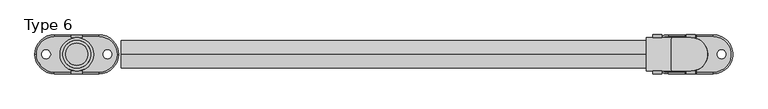
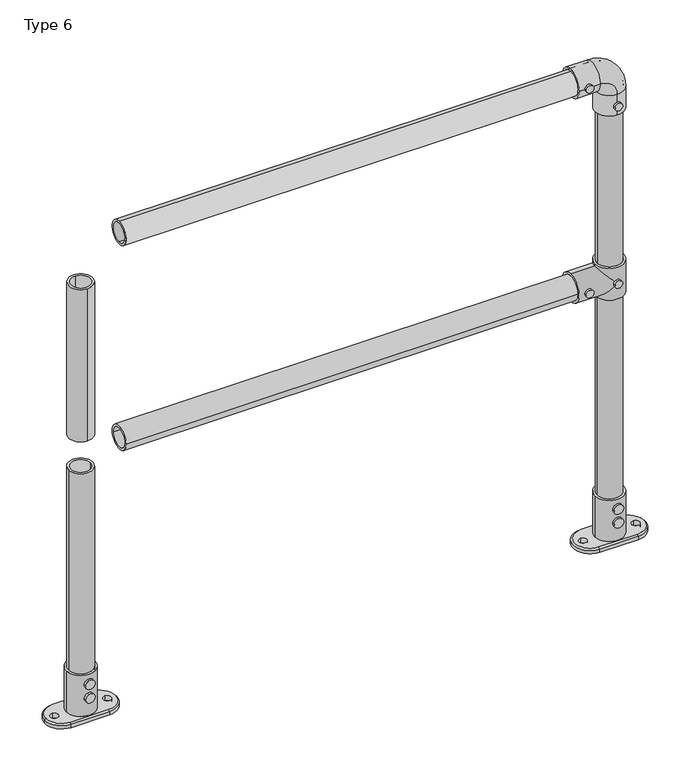
"""IFC4 building model written with IfcOpenShell, lengths in millimetres: proxy geometry, Type 6."""

import ifcopenshell
import ifcopenshell.guid

model = None  # the IFC model being written
_history = None  # IfcOwnerHistory: only IFC2X3 demands one
_inside = {}  # id of a spatial element -> (the spatial element, [elements in it])
_under = {}  # id of a project, library or spatial element -> (it, [spatial elements below it])
_declared = {}  # id of a project -> (the project, [libraries it declares])
_typed = {}  # id of a type object -> (the type object, [elements of that type])
_made_of = {}  # id of a material, layer set ... -> (it, [elements and type objects made of it])


def new_model(schema):
    """Start an empty IFC model of exactly this schema.

    Asked for "IFC4X3", IfcOpenShell would pick the latest addendum, in which some entities
    have other attributes; the version numbers below select the first issue.
    IFC2X3 requires an IfcOwnerHistory on every rooted entity: one is made here for all.
    """
    global model, _history
    if schema == "IFC4X3":
        model = ifcopenshell.file(schema_version=(4, 3, 0, 0))
    else:
        model = ifcopenshell.file(schema=schema)
    _inside.clear()
    _under.clear()
    _declared.clear()
    _typed.clear()
    _made_of.clear()
    _history = None
    if model.schema == "IFC2X3":
        org = make("IfcOrganization", Name="unknown")
        user = make(
            "IfcPersonAndOrganization",
            ThePerson=make("IfcPerson", FamilyName="unknown"),
            TheOrganization=org,
        )
        app = make(
            "IfcApplication",
            ApplicationDeveloper=org,
            Version="unknown",
            ApplicationFullName="unknown",
            ApplicationIdentifier="unknown",
        )
        _history = make(
            "IfcOwnerHistory",
            OwningUser=user,
            OwningApplication=app,
            ChangeAction="ADDED",
            CreationDate=0,
        )
    return model


def make(cls, **values):
    """One entity of the class cls with the attributes given. An attribute that is None is left unset."""
    return model.create_entity(
        cls, **{name: value for name, value in values.items() if value is not None}
    )


def rooted(cls, **values):
    """An entity with a GlobalId (a new one), such as an element, a storey or a relation."""
    return make(cls, GlobalId=ifcopenshell.guid.new(), OwnerHistory=_history, **values)


def si_unit(unit_type, name, prefix=None):
    """IfcSIUnit, for example si_unit("LENGTHUNIT", "METRE", prefix="MILLI")."""
    return make("IfcSIUnit", UnitType=unit_type, Prefix=prefix, Name=name)


def assignment(units):
    """IfcUnitAssignment: the units of a project."""
    return None if units is None else make("IfcUnitAssignment", Units=units)


def point(xyz):
    """IfcCartesianPoint."""
    return None if xyz is None else make("IfcCartesianPoint", Coordinates=xyz)


def direction(xyz):
    """IfcDirection."""
    return None if xyz is None else make("IfcDirection", DirectionRatios=xyz)


def frame(location, z_axis=None, x_axis=None):
    """IfcAxis2Placement3D, a coordinate frame: its origin and axes. An axis left out is left unset."""
    return make(
        "IfcAxis2Placement3D",
        Location=point(location),
        Axis=direction(z_axis),
        RefDirection=direction(x_axis),
    )


def frame_2d(location, x_axis=None):
    """IfcAxis2Placement2D, a coordinate frame in the plane: its origin and x axis."""
    return make(
        "IfcAxis2Placement2D", Location=point(location), RefDirection=direction(x_axis)
    )


def origin():
    """The frame at (0, 0, 0) with its axes left unset."""
    return frame((0.0, 0.0, 0.0))


def origin_with_axes():
    """The frame at (0, 0, 0) with the z axis (0, 0, 1) and the x axis (1, 0, 0) written out."""
    return frame((0.0, 0.0, 0.0), z_axis=(0.0, 0.0, 1.0), x_axis=(1.0, 0.0, 0.0))


def origin_2d():
    """The frame at (0, 0) in the plane with its x axis left unset."""
    return frame_2d((0.0, 0.0))


def place(relative_to, where):
    """IfcLocalPlacement: puts the frame where relative to a parent placement (None: the world)."""
    return make(
        "IfcLocalPlacement", PlacementRelTo=relative_to, RelativePlacement=where
    )


def context(
    kind, dimensions, precision=None, world=None, true_north=None, identifier=None
):
    """IfcGeometricRepresentationContext, for example the 3D "Model" context."""
    return make(
        "IfcGeometricRepresentationContext",
        ContextIdentifier=identifier,
        ContextType=kind,
        CoordinateSpaceDimension=dimensions,
        Precision=precision,
        WorldCoordinateSystem=world,
        TrueNorth=true_north,
    )


def project(units=None, contexts=None):
    """IfcProject with its units and contexts."""
    return rooted(
        "IfcProject",
        Name="project",
        RepresentationContexts=contexts,
        UnitsInContext=assignment(units),
    )


def spatial(cls, under=None, at=None, **own):
    """A site, building, storey or space (cls), placed at a placement, below another one or the project."""
    s = rooted(cls, ObjectPlacement=at, **own)
    if under is not None:
        _under.setdefault(under.id(), (under, []))[1].append(s)
    return s


def polyline(points):
    """IfcPolyline through the points."""
    return make("IfcPolyline", Points=[point(p) for p in points])


def circle_curve(where, radius):
    """IfcCircle in the frame where."""
    return make("IfcCircle", Position=where, Radius=radius)


def ellipse_curve(where, semi_axis1, semi_axis2):
    """IfcEllipse in the frame where."""
    return make(
        "IfcEllipse", Position=where, SemiAxis1=semi_axis1, SemiAxis2=semi_axis2
    )


def trimmed(basis, trim1, trim2, sense, master):
    """IfcTrimmedCurve: the piece of a basis curve between two trims."""
    return make(
        "IfcTrimmedCurve",
        BasisCurve=basis,
        Trim1=trim1,
        Trim2=trim2,
        SenseAgreement=sense,
        MasterRepresentation=master,
    )


def segment(curve, same_sense, transition):
    """IfcCompositeCurveSegment."""
    return make(
        "IfcCompositeCurveSegment",
        Transition=transition,
        SameSense=same_sense,
        ParentCurve=curve,
    )


def composite_curve(segments, self_intersect=None):
    """IfcCompositeCurve: segments joined end to end."""
    return make("IfcCompositeCurve", Segments=segments, SelfIntersect=self_intersect)


def outline(outer, holes=None, kind="AREA"):
    """IfcArbitraryClosedProfileDef: a profile drawn as a closed curve; with holes, ...WithVoids."""
    if holes is None:
        return make("IfcArbitraryClosedProfileDef", ProfileType=kind, OuterCurve=outer)
    return make(
        "IfcArbitraryProfileDefWithVoids",
        ProfileType=kind,
        OuterCurve=outer,
        InnerCurves=holes,
    )


def extrude(swept, where, along, depth):
    """IfcExtrudedAreaSolid: the profile swept, set in the frame where, extruded along a direction by depth."""
    return make(
        "IfcExtrudedAreaSolid",
        SweptArea=swept,
        Position=where,
        ExtrudedDirection=direction(along),
        Depth=depth,
    )


def shape(context_of_items, identifier, shape_type, items):
    """IfcShapeRepresentation: the items that make up one representation, for example the "Body"."""
    return make(
        "IfcShapeRepresentation",
        ContextOfItems=context_of_items,
        RepresentationIdentifier=identifier,
        RepresentationType=shape_type,
        Items=items,
    )


def source(mapping_origin, context_of_items, identifier, shape_type, items):
    """IfcRepresentationMap: a shape defined once, which mapped items show again and again."""
    return make(
        "IfcRepresentationMap",
        MappingOrigin=mapping_origin,
        MappedRepresentation=shape(context_of_items, identifier, shape_type, items),
    )


def transform(
    local_origin,
    x_axis=None,
    y_axis=None,
    z_axis=None,
    scale=None,
    scale2=None,
    scale3=None,
    uniform=True,
):
    """IfcCartesianTransformationOperator3D, or its non-uniform kind. x_axis, y_axis, z_axis: its Axis1, 2, 3."""
    if uniform:
        return make(
            "IfcCartesianTransformationOperator3D",
            Axis1=direction(x_axis),
            Axis2=direction(y_axis),
            LocalOrigin=point(local_origin),
            Scale=scale,
            Axis3=direction(z_axis),
        )
    return make(
        "IfcCartesianTransformationOperator3DnonUniform",
        Axis1=direction(x_axis),
        Axis2=direction(y_axis),
        LocalOrigin=point(local_origin),
        Scale=scale,
        Axis3=direction(z_axis),
        Scale2=scale2,
        Scale3=scale3,
    )


def mapped(mapping_source, mapping_target):
    """IfcMappedItem: shows the shape of a source again, moved by a transform."""
    return make(
        "IfcMappedItem", MappingSource=mapping_source, MappingTarget=mapping_target
    )


def made_of(thing, what):
    """Note that an element or type object is made of a material, layer set ...; save() writes the relation."""
    if what is not None:
        _made_of.setdefault(what.id(), (what, []))[1].append(thing)
    return thing


def element(
    cls,
    number,
    at=None,
    inside=None,
    cuts=None,
    type_object=None,
    material=None,
    context=None,
    identifier="Body",
    shape_type=None,
    held_by="IfcProductDefinitionShape",
    body=None,
    shapes=None,
    **own,
):
    """One element of the class cls, such as IfcWall. Its Tag is "e" and its number.

    at: its placement. inside: the storey or other place that contains it. cuts: it is an
    opening in that element (IfcRelVoidsElement). A single representation is given by context,
    identifier, shape_type and body (its items); several are given by shapes. held_by: the class
    of the entity that holds the representations. save() writes the other relations.
    """
    e = rooted(cls, Tag="e%d" % number, ObjectPlacement=at, **own)
    if body is not None:
        shapes = [shape(context, identifier, shape_type, body)]
    if shapes is not None:
        e.Representation = make(held_by, Representations=shapes)
    if inside is not None:
        _inside.setdefault(inside.id(), (inside, []))[1].append(e)
    if cuts is not None:
        rooted(
            "IfcRelVoidsElement", RelatingBuildingElement=cuts, RelatedOpeningElement=e
        )
    if type_object is not None:
        _typed.setdefault(type_object.id(), (type_object, []))[1].append(e)
    return made_of(e, material)


def aggregate(whole, parts):
    """IfcRelAggregates: a whole, such as a stair, and the parts it consists of."""
    return rooted("IfcRelAggregates", RelatingObject=whole, RelatedObjects=parts)


def save(model, path):
    """Write the relations noted so far, then the file.

    IfcRelAggregates (storeys below a building ...), IfcRelContainedInSpatialStructure (elements
    in a storey), IfcRelDefinesByType, IfcRelAssociatesMaterial and IfcRelDeclares: one each for
    every whole, place, type object, material and project.
    """
    for whole, parts in _under.values():
        aggregate(whole, parts)
    for where, things in _inside.values():
        rooted(
            "IfcRelContainedInSpatialStructure",
            RelatedElements=things,
            RelatingStructure=where,
        )
    for kind, things in _typed.values():
        rooted("IfcRelDefinesByType", RelatedObjects=things, RelatingType=kind)
    for what, things in _made_of.values():
        rooted("IfcRelAssociatesMaterial", RelatedObjects=things, RelatingMaterial=what)
    for by, libraries in _declared.values():
        rooted("IfcRelDeclares", RelatingContext=by, RelatedDefinitions=libraries)
    model.write(path)


def plane_surface(at):
    """IfcPlane: the flat surface through the origin of the frame at, square to its z axis."""
    return make("IfcPlane", Position=at)


def cylinder_surface(at, radius):
    """IfcCylindricalSurface: all points at the distance radius from the z axis of the frame at."""
    return make("IfcCylindricalSurface", Position=at, Radius=radius)


def revolved_surface(curve, axis_point, axis_direction):
    """IfcSurfaceOfRevolution: the curve turned about the line through axis_point along axis_direction."""
    return make(
        "IfcSurfaceOfRevolution",
        SweptCurve=make("IfcArbitraryOpenProfileDef", ProfileType="CURVE", Curve=curve),
        AxisPosition=make("IfcAxis1Placement", Location=point(axis_point), Axis=direction(axis_direction)),
    )


def advanced_brep(points, edges, surfaces, faces):
    """IfcAdvancedBrep: a solid bounded by faces that lie on surfaces and meet in shared edges.

    An edge is (start, end): straight between two places in points (the first is 0);
    or (start, end, curve); or (start, end, curve, False) where it runs against its curve.
    A face is (place in surfaces, loops), or (place, loops, False) where it looks against
    its surface's normal. A loop lists edges by number (the first is 1), with a minus sign
    where the edge is run from its end to its start. The first loop is the outer one.
    """
    corners = [point(p) for p in points]
    vertices = [make("IfcVertexPoint", VertexGeometry=c) for c in corners]
    made = []
    for start, end, *more in edges:
        made.append(
            make(
                "IfcEdgeCurve",
                EdgeStart=vertices[start],
                EdgeEnd=vertices[end],
                EdgeGeometry=more[0] if more else make("IfcPolyline", Points=[corners[start], corners[end]]),
                SameSense=more[1] if len(more) > 1 else True,
            )
        )
    hull = []
    for where, loops, *sense in faces:
        bounds = []
        for j, loop in enumerate(loops):
            ring = [make("IfcOrientedEdge", EdgeElement=made[abs(k) - 1], Orientation=k > 0) for k in loop]
            bounds.append(
                make(
                    "IfcFaceOuterBound" if j == 0 else "IfcFaceBound",
                    Bound=make("IfcEdgeLoop", EdgeList=ring),
                    Orientation=True,
                )
            )
        hull.append(make("IfcAdvancedFace", Bounds=bounds, FaceSurface=surfaces[where], SameSense=sense[0] if sense else True))
    return make("IfcAdvancedBrep", Outer=make("IfcClosedShell", CfsFaces=hull))


def type_6_de12e895(model_context):
    return source(origin(), model_context, "Body", "SolidModel", [
        extrude(outline(composite_curve([segment(trimmed(circle_curve(frame_2d((575.0, 1100.0)), 8.0), [point((575.0, 1108.0))], [point((575.0, 1092.0))], False, "CARTESIAN"), True, "CONTINUOUS"), segment(trimmed(circle_curve(frame_2d((575.0, 1100.0)), 8.0), [point((575.0, 1092.0))], [point((575.0, 1108.0))], False, "CARTESIAN"), True, "CONTINUOUS")], self_intersect=False)), frame((0.0, 30.0, 0.0), z_axis=(0.0, 1.0, 0.0), x_axis=(0.0, 0.0, 1.0)), (0.0, 0.0, 1.0), 5.0),
        extrude(outline(composite_curve([segment(trimmed(circle_curve(frame_2d((575.0, 1040.0)), 8.0), [point((575.0, 1048.0))], [point((575.0, 1032.0))], False, "CARTESIAN"), True, "CONTINUOUS"), segment(trimmed(circle_curve(frame_2d((575.0, 1040.0)), 8.0), [point((575.0, 1032.0))], [point((575.0, 1048.0))], False, "CARTESIAN"), True, "CONTINUOUS")], self_intersect=False)), frame((0.0, 30.0, 0.0), z_axis=(0.0, 1.0, 0.0), x_axis=(0.0, 0.0, 1.0)), (0.0, 0.0, 1.0), 5.0),
        extrude(outline(composite_curve([segment(trimmed(circle_curve(frame_2d((575.0, 1100.0)), 8.0), [point((575.0, 1108.0))], [point((575.0, 1092.0))], False, "CARTESIAN"), True, "CONTINUOUS"), segment(trimmed(circle_curve(frame_2d((575.0, 1100.0)), 8.0), [point((575.0, 1092.0))], [point((575.0, 1108.0))], False, "CARTESIAN"), True, "CONTINUOUS")], self_intersect=False)), frame((0.0, -35.0, 0.0), z_axis=(0.0, 1.0, 0.0), x_axis=(0.0, 0.0, 1.0)), (0.0, 0.0, 1.0), 5.0),
        extrude(outline(composite_curve([segment(trimmed(circle_curve(frame_2d((575.0, 1040.0)), 8.0), [point((575.0, 1048.0))], [point((575.0, 1032.0))], False, "CARTESIAN"), True, "CONTINUOUS"), segment(trimmed(circle_curve(frame_2d((575.0, 1040.0)), 8.0), [point((575.0, 1032.0))], [point((575.0, 1048.0))], False, "CARTESIAN"), True, "CONTINUOUS")], self_intersect=False)), frame((0.0, -35.0, 0.0), z_axis=(0.0, 1.0, 0.0), x_axis=(0.0, 0.0, 1.0)), (0.0, 0.0, 1.0), 5.0),
        advanced_brep(
        [(1130.0, 0.0, 610.0), (1070.0, 0.0, 610.0), (1100.0, -25.0, 610.0), (1100.0, 25.0, 610.0), (1130.0, 0.0, 540.0), (1070.0, 0.0, 540.0), (1100.0, 25.0, 540.0), (1100.0, -25.0, 540.0), (1070.0, 0.0, 605.0), (1100.0, -30.0, 575.0), (1070.0, 0.0, 545.0), (1100.0, 30.0, 575.0), (1020.0, 0.0, 545.0), (1020.0, 0.0, 605.0), (1020.0, 0.0, 600.0), (1020.0, 0.0, 550.0), (1075.0, 0.0, 550.0), (1100.0, 25.0, 575.0), (1075.0, 0.0, 600.0), (1100.0, -25.0, 575.0)],
        [
            (0, 1, circle_curve(frame((1100.0, 0.0, 610.0), z_axis=(0.0, 0.0, 1.0), x_axis=(-1.0, 0.0, 0.0)), 30.0)),
            (1, 0, circle_curve(frame((1100.0, 0.0, 610.0), z_axis=(0.0, 0.0, 1.0), x_axis=(-1.0, 0.0, 0.0)), 30.0)),
            (2, 3, circle_curve(frame((1100.0, 0.0, 610.0), z_axis=(0.0, 0.0, -1.0), x_axis=(0.0, 1.0, 0.0)), 25.0)),
            (3, 2, circle_curve(frame((1100.0, 0.0, 610.0), z_axis=(0.0, 0.0, -1.0), x_axis=(0.0, 1.0, 0.0)), 25.0)),
            (4, 5, circle_curve(frame((1100.0, 0.0, 540.0), z_axis=(0.0, 0.0, -1.0), x_axis=(-1.0, 0.0, 0.0)), 30.0)),
            (5, 4, circle_curve(frame((1100.0, 0.0, 540.0), z_axis=(0.0, 0.0, -1.0), x_axis=(-1.0, 0.0, 0.0)), 30.0)),
            (6, 7, circle_curve(frame((1100.0, 0.0, 540.0), z_axis=(0.0, 0.0, 1.0), x_axis=(0.0, 1.0, 0.0)), 25.0)),
            (7, 6, circle_curve(frame((1100.0, 0.0, 540.0), z_axis=(0.0, 0.0, 1.0), x_axis=(0.0, 1.0, 0.0)), 25.0)),
            (1, 8),
            (8, 9, ellipse_curve(frame((1100.0, 0.0, 575.0), z_axis=(0.7071067811865492, 0.0, 0.7071067811865458), x_axis=(-0.7071067811865458, 0.0, 0.7071067811865492)), 42.4264069, 30.0)),
            (9, 10, ellipse_curve(frame((1100.0, 0.0, 575.0), z_axis=(0.7071067811865458, 0.0, -0.7071067811865492), x_axis=(0.7071067811865492, 0.0, 0.7071067811865458)), 42.4264069, 30.0)),
            (10, 5),
            (4, 0),
            (10, 11, ellipse_curve(frame((1100.0, 0.0, 575.0), z_axis=(0.7071067811865458, 0.0, -0.7071067811865492), x_axis=(0.7071067811865492, 0.0, 0.7071067811865458)), 42.4264069, 30.0)),
            (11, 8, ellipse_curve(frame((1100.0, 0.0, 575.0), z_axis=(0.7071067811865492, 0.0, 0.7071067811865458), x_axis=(-0.7071067811865458, 0.0, 0.7071067811865492)), 42.4264069, 30.0)),
            (12, 13, circle_curve(frame((1020.0, 0.0, 575.0), z_axis=(-1.0, 0.0, 0.0), x_axis=(0.0, 0.0, 1.0)), 30.0)),
            (13, 12, circle_curve(frame((1020.0, 0.0, 575.0), z_axis=(-1.0, 0.0, 0.0), x_axis=(0.0, 0.0, 1.0)), 30.0)),
            (14, 15, circle_curve(frame((1020.0, 0.0, 575.0), z_axis=(1.0, 0.0, 0.0), x_axis=(0.0, 0.0, -1.0)), 25.0)),
            (15, 14, circle_curve(frame((1020.0, 0.0, 575.0), z_axis=(1.0, 0.0, 0.0), x_axis=(0.0, 0.0, -1.0)), 25.0)),
            (13, 8),
            (10, 12),
            (15, 16),
            (16, 17, ellipse_curve(frame((1100.0, 0.0, 575.0), z_axis=(0.7071067811865458, 0.0, -0.7071067811865492), x_axis=(0.7071067811865492, 0.0, 0.7071067811865457)), 35.3553391, 25.0)),
            (17, 18, ellipse_curve(frame((1100.0, 0.0, 575.0), z_axis=(0.7071067811865492, 0.0, 0.7071067811865458), x_axis=(0.7071067811865458, 0.0, -0.7071067811865492)), 35.3553391, 25.0)),
            (18, 14),
            (18, 19, ellipse_curve(frame((1100.0, 0.0, 575.0), z_axis=(0.7071067811865492, 0.0, 0.7071067811865458), x_axis=(0.7071067811865458, 0.0, -0.7071067811865492)), 35.3553391, 25.0)),
            (19, 16, ellipse_curve(frame((1100.0, 0.0, 575.0), z_axis=(0.7071067811865458, 0.0, -0.7071067811865492), x_axis=(0.7071067811865492, 0.0, 0.7071067811865457)), 35.3553391, 25.0)),
            (3, 17),
            (17, 6),
            (7, 19),
            (19, 2),
        ],
        [
            plane_surface(frame((1070.0, 0.0, 610.0), z_axis=(0.0, 0.0, 1.0), x_axis=(0.0, 1.0, 0.0))),
            plane_surface(frame((1070.0, 0.0, 540.0), z_axis=(0.0, 0.0, -1.0), x_axis=(0.0, -1.0, 0.0))),
            cylinder_surface(frame((1100.0, 0.0, 540.0), z_axis=(0.0, 0.0, 1.0), x_axis=(-1.0, 0.0, 0.0)), 30.0),
            plane_surface(frame((1020.0, 0.0, 605.0), z_axis=(-1.0, 0.0, 0.0), x_axis=(0.0, -1.0, 0.0))),
            cylinder_surface(frame((1100.0, 0.0, 575.0), z_axis=(-1.0, 0.0, 0.0), x_axis=(0.0, 0.0, 1.0)), 30.0),
            revolved_surface(polyline([(1125.00000002876, 0.0, 550.0), (1020.0, 0.0, 550.0)]), (1020.0, 0.0, 575.0), (1.0, 0.0, 0.0)),
            revolved_surface(polyline([(1100.0, 25.0, 540.0), (1100.0, 25.0, 610.0)]), (1100.0, 0.0, 610.0), (0.0, 0.0, -1.0)),
            revolved_surface(polyline([(1100.0, 25.0, 540.0), (1100.0, 25.0, 600.0000000287598)]), (1100.0, 0.0, 610.0), (0.0, 0.0, -1.0)),
            revolved_surface(polyline([(1100.0, 25.0, 549.9999999712401), (1100.0, 25.0, 610.0)]), (1100.0, 0.0, 610.0), (0.0, 0.0, -1.0)),
        ],
        [
            (0, [[1, 2], [3, 4]]),
            (1, [[5, 6], [7, 8]]),
            (2, [[9, 10, 11, 12, -5, 13, -2]]),
            (2, [[-13, -6, -12, 14, 15, -9, -1]]),
            (3, [[16, 17], [18, 19]]),
            (4, [[20, -15, -14, 21, -17]]),
            (4, [[-21, -11, -10, -20, -16]]),
            (5, [[22, 23, 24, 25, -19]]),
            (5, [[-25, 26, 27, -22, -18]]),
            (6, [[-4, 28, 29, -8, 30, 31]]),
            (7, [[-7, -29, -23, -27, -30]]),
            (8, [[-26, -24, -28, -3, -31]]),
        ],
    ),
        extrude(outline(composite_curve([segment(trimmed(circle_curve(frame_2d((1025.0, 1040.0)), 8.0), [point((1025.0, 1048.0))], [point((1025.0, 1032.0))], False, "CARTESIAN"), True, "CONTINUOUS"), segment(trimmed(circle_curve(frame_2d((1025.0, 1040.0)), 8.0), [point((1025.0, 1032.0))], [point((1025.0, 1048.0))], False, "CARTESIAN"), True, "CONTINUOUS")], self_intersect=False)), frame((0.0, -35.0, 0.0), z_axis=(0.0, 1.0, 0.0), x_axis=(0.0, 0.0, 1.0)), (0.0, 0.0, 1.0), 5.0),
        extrude(outline(composite_curve([segment(trimmed(circle_curve(frame_2d((965.0, 1100.0)), 8.0), [point((965.0, 1108.0))], [point((965.0, 1092.0))], False, "CARTESIAN"), True, "CONTINUOUS"), segment(trimmed(circle_curve(frame_2d((965.0, 1100.0)), 8.0), [point((965.0, 1092.0))], [point((965.0, 1108.0))], False, "CARTESIAN"), True, "CONTINUOUS")], self_intersect=False)), frame((0.0, -35.0, 0.0), z_axis=(0.0, 1.0, 0.0), x_axis=(0.0, 0.0, 1.0)), (0.0, 0.0, 1.0), 5.0),
        extrude(outline(composite_curve([segment(trimmed(circle_curve(frame_2d((1025.0, 1040.0)), 8.0), [point((1025.0, 1048.0))], [point((1025.0, 1032.0))], False, "CARTESIAN"), True, "CONTINUOUS"), segment(trimmed(circle_curve(frame_2d((1025.0, 1040.0)), 8.0), [point((1025.0, 1032.0))], [point((1025.0, 1048.0))], False, "CARTESIAN"), True, "CONTINUOUS")], self_intersect=False)), frame((0.0, 30.0, 0.0), z_axis=(0.0, 1.0, 0.0), x_axis=(0.0, 0.0, 1.0)), (0.0, 0.0, 1.0), 5.0),
        extrude(outline(composite_curve([segment(trimmed(circle_curve(frame_2d((965.0, 1100.0)), 8.0), [point((965.0, 1108.0))], [point((965.0, 1092.0))], False, "CARTESIAN"), True, "CONTINUOUS"), segment(trimmed(circle_curve(frame_2d((965.0, 1100.0)), 8.0), [point((965.0, 1092.0))], [point((965.0, 1108.0))], False, "CARTESIAN"), True, "CONTINUOUS")], self_intersect=False)), frame((0.0, 30.0, 0.0), z_axis=(0.0, 1.0, 0.0), x_axis=(0.0, 0.0, 1.0)), (0.0, 0.0, 1.0), 5.0),
        advanced_brep(
        [(1100.0, 30.0, 945.0), (1100.0, -30.0, 945.0), (1100.0, 25.0, 945.0), (1100.0, -25.0, 945.0), (1100.0, 30.0, 990.0), (1100.0, -30.0, 990.0), (1065.0, -30.0, 1025.0), (1065.0, 30.0, 1025.0), (1020.0, 30.0, 1025.0), (1020.0, -30.0, 1025.0), (1020.0, 25.0, 1025.0), (1020.0, -25.0, 1025.0), (1100.0, 25.0, 990.0), (1100.0, -25.0, 990.0), (1065.0, -25.0, 1025.0), (1065.0, 25.0, 1025.0)],
        [
            (0, 1, circle_curve(frame((1100.0, 0.0, 945.0), z_axis=(0.0, 0.0, -1.0), x_axis=(0.0, -1.0, 0.0)), 30.0)),
            (1, 0, circle_curve(frame((1100.0, 0.0, 945.0), z_axis=(0.0, 0.0, -1.0), x_axis=(0.0, -1.0, 0.0)), 30.0)),
            (2, 3, circle_curve(frame((1100.0, 0.0, 945.0), z_axis=(0.0, 0.0, 1.0), x_axis=(0.0, -1.0, 0.0)), 25.0)),
            (3, 2, circle_curve(frame((1100.0, 0.0, 945.0), z_axis=(0.0, 0.0, 1.0), x_axis=(0.0, -1.0, 0.0)), 25.0)),
            (0, 4),
            (4, 5, circle_curve(frame((1100.0, 0.0, 990.0), z_axis=(0.0, 0.0, -1.0), x_axis=(0.0, -1.0, 0.0)), 30.0)),
            (5, 1),
            (5, 4, circle_curve(frame((1100.0, 0.0, 990.0), z_axis=(0.0, 0.0, -1.0), x_axis=(0.0, -1.0, 0.0)), 30.0)),
            (6, 5, circle_curve(frame((1065.0, -30.0, 990.0), z_axis=(0.0, 1.0, 0.0), x_axis=(1.0, 0.0, 0.0)), 35.0)),
            (4, 7, circle_curve(frame((1065.0, 30.0, 990.0), z_axis=(0.0, -1.0, 0.0), x_axis=(1.0, 0.0, 0.0)), 35.0)),
            (7, 6, circle_curve(frame((1065.0, 0.0, 1025.0), z_axis=(1.0, 0.0, 0.0), x_axis=(0.0, -1.0, 0.0)), 30.0)),
            (6, 7, circle_curve(frame((1065.0, 0.0, 1025.0), z_axis=(1.0, 0.0, 0.0), x_axis=(0.0, -1.0, 0.0)), 30.0)),
            (8, 9, circle_curve(frame((1020.0, 0.0, 1025.0), z_axis=(-1.0, 0.0, 0.0), x_axis=(0.0, -1.0, 0.0)), 30.0)),
            (9, 8, circle_curve(frame((1020.0, 0.0, 1025.0), z_axis=(-1.0, 0.0, 0.0), x_axis=(0.0, -1.0, 0.0)), 30.0)),
            (10, 11, circle_curve(frame((1020.0, 0.0, 1025.0), z_axis=(1.0, 0.0, 0.0), x_axis=(0.0, -1.0, 0.0)), 25.0)),
            (11, 10, circle_curve(frame((1020.0, 0.0, 1025.0), z_axis=(1.0, 0.0, 0.0), x_axis=(0.0, -1.0, 0.0)), 25.0)),
            (7, 8),
            (9, 6),
            (2, 12),
            (12, 13, circle_curve(frame((1100.0, 0.0, 990.0), z_axis=(0.0, 0.0, 1.0), x_axis=(0.0, -1.0, 0.0)), 25.0)),
            (13, 3),
            (13, 12, circle_curve(frame((1100.0, 0.0, 990.0), z_axis=(0.0, 0.0, 1.0), x_axis=(0.0, -1.0, 0.0)), 25.0)),
            (14, 13, circle_curve(frame((1065.0, -25.0, 990.0), z_axis=(0.0, 1.0, 0.0), x_axis=(1.0, 0.0, 0.0)), 35.0)),
            (12, 15, circle_curve(frame((1065.0, 25.0, 990.0), z_axis=(0.0, -1.0, 0.0), x_axis=(1.0, 0.0, 0.0)), 35.0)),
            (15, 14, circle_curve(frame((1065.0, 0.0, 1025.0), z_axis=(-1.0, 0.0, 0.0), x_axis=(0.0, -1.0, 0.0)), 25.0)),
            (14, 15, circle_curve(frame((1065.0, 0.0, 1025.0), z_axis=(-1.0, 0.0, 0.0), x_axis=(0.0, -1.0, 0.0)), 25.0)),
            (15, 10),
            (11, 14),
        ],
        [
            plane_surface(frame((1070.0, 0.0, 945.0), z_axis=(0.0, 0.0, -1.0), x_axis=(0.0, 1.0, 0.0))),
            cylinder_surface(frame((1100.0, 0.0, 945.0), z_axis=(0.0, 0.0, -1.0), x_axis=(0.0, -1.0, 0.0)), 30.0),
            revolved_surface(trimmed(ellipse_curve(frame((1100.0, 0.0, 990.0), z_axis=(0.0, 0.0, -1.0), x_axis=(0.0, -1.0, 0.0)), 30.0, 30.0), [point((1100.0, 30.0, 990.0))], [point((1100.0, -30.0, 990.0))], True, "CARTESIAN"), (1065.0, 0.0, 990.0), (0.0, -1.0, 0.0)),
            revolved_surface(trimmed(ellipse_curve(frame((1100.0, 0.0, 990.0), z_axis=(0.0, 0.0, -1.0), x_axis=(0.0, -1.0, 0.0)), 30.0, 30.0), [point((1100.0, -30.0, 990.0))], [point((1100.0, 30.0, 990.0))], True, "CARTESIAN"), (1065.0, 0.0, 990.0), (0.0, -1.0, 0.0)),
            plane_surface(frame((1020.0, 0.0, 995.0), z_axis=(-1.0, 0.0, 0.0), x_axis=(0.0, 1.0, 0.0))),
            cylinder_surface(frame((1065.0, 0.0, 1025.0), z_axis=(1.0, 0.0, 0.0), x_axis=(0.0, -1.0, 0.0)), 30.0),
            revolved_surface(polyline([(1100.0, -25.0, 990.0), (1100.0, -25.0, 945.0)]), (1100.0, 0.0, 945.0), (0.0, 0.0, 1.0)),
            revolved_surface(trimmed(ellipse_curve(frame((1100.0, 0.0, 990.0), z_axis=(0.0, 0.0, 1.0), x_axis=(0.0, -1.0, 0.0)), 25.0, 25.0), [point((1100.0, 25.0, 990.0))], [point((1100.0, -25.0, 990.0))], True, "CARTESIAN"), (1065.0, 0.0, 990.0), (0.0, -1.0, 0.0)),
            revolved_surface(trimmed(ellipse_curve(frame((1100.0, 0.0, 990.0), z_axis=(0.0, 0.0, 1.0), x_axis=(0.0, -1.0, 0.0)), 25.0, 25.0), [point((1100.0, -25.0, 990.0))], [point((1100.0, 25.0, 990.0))], True, "CARTESIAN"), (1065.0, 0.0, 990.0), (0.0, -1.0, 0.0)),
            revolved_surface(polyline([(1020.0, -25.0, 1025.0), (1065.0, -25.0, 1025.0)]), (1065.0, 0.0, 1025.0), (-1.0, 0.0, 0.0)),
        ],
        [
            (0, [[1, 2], [3, 4]]),
            (1, [[-1, 5, 6, 7]]),
            (1, [[-2, -7, 8, -5]]),
            (2, [[9, -6, 10, 11]]),
            (3, [[-10, -8, -9, 12]]),
            (4, [[13, 14], [15, 16]]),
            (5, [[-11, 17, -14, 18]]),
            (5, [[-12, -18, -13, -17]]),
            (6, [[-3, 19, 20, 21]]),
            (6, [[-4, -21, 22, -19]]),
            (7, [[23, -20, 24, 25]]),
            (8, [[-24, -22, -23, 26]]),
            (9, [[-25, 27, -16, 28]]),
            (9, [[-26, -28, -15, -27]]),
        ],
    ),
        extrude(outline(composite_curve([segment(trimmed(circle_curve(frame_2d((0.0, 575.0)), 25.0), [point((25.0, 575.0))], [point((-25.0, 575.0))], False, "CARTESIAN"), True, "CONTINUOUS"), segment(trimmed(circle_curve(frame_2d((0.0, 575.0)), 25.0), [point((-25.0, 575.0))], [point((25.0, 575.0))], False, "CARTESIAN"), True, "CONTINUOUS")], self_intersect=False), holes=[composite_curve([segment(trimmed(circle_curve(frame_2d((0.0, 575.0)), 20.0), [point((20.0, 575.0))], [point((-20.0, 575.0))], True, "CARTESIAN"), True, "CONTINUOUS"), segment(trimmed(circle_curve(frame_2d((0.0, 575.0)), 20.0), [point((-20.0, 575.0))], [point((20.0, 575.0))], True, "CARTESIAN"), True, "CONTINUOUS")], self_intersect=False)]), frame((80.0, 0.0, 0.0), z_axis=(1.0, 0.0, 0.0), x_axis=(0.0, 1.0, 0.0)), (0.0, 0.0, 1.0), 940.0),
        extrude(outline(composite_curve([segment(trimmed(circle_curve(frame_2d((0.0, 1025.0)), 25.0), [point((0.0, 1050.0))], [point((0.0, 1000.0))], False, "CARTESIAN"), True, "CONTINUOUS"), segment(trimmed(circle_curve(frame_2d((0.0, 1025.0)), 25.0), [point((0.0, 1000.0))], [point((0.0, 1050.0))], False, "CARTESIAN"), True, "CONTINUOUS")], self_intersect=False), holes=[composite_curve([segment(trimmed(circle_curve(frame_2d((0.0, 1025.0)), 20.0), [point((0.0, 1045.0))], [point((0.0, 1005.0))], True, "CARTESIAN"), True, "CONTINUOUS"), segment(trimmed(circle_curve(frame_2d((0.0, 1025.0)), 20.0), [point((0.0, 1005.0))], [point((0.0, 1045.0))], True, "CARTESIAN"), True, "CONTINUOUS")], self_intersect=False)]), frame((80.0, 0.0, 0.0), z_axis=(1.0, 0.0, 0.0), x_axis=(0.0, 1.0, 0.0)), (0.0, 0.0, 1.0), 940.0),
        extrude(outline(composite_curve([segment(trimmed(circle_curve(frame_2d((1100.0, 0.0)), 25.0), [point((1075.0, 0.0))], [point((1125.0, 0.0))], False, "CARTESIAN"), True, "CONTINUOUS"), segment(trimmed(circle_curve(frame_2d((1100.0, 0.0)), 25.0), [point((1125.0, 0.0))], [point((1075.0, 0.0))], False, "CARTESIAN"), True, "CONTINUOUS")], self_intersect=False), holes=[composite_curve([segment(trimmed(circle_curve(frame_2d((1100.0, 0.0)), 20.0), [point((1080.0, 0.0))], [point((1120.0, 0.0))], True, "CARTESIAN"), True, "CONTINUOUS"), segment(trimmed(circle_curve(frame_2d((1100.0, 0.0)), 20.0), [point((1120.0, 0.0))], [point((1080.0, 0.0))], True, "CARTESIAN"), True, "CONTINUOUS")], self_intersect=False)]), frame((0.0, 0.0, 610.0), z_axis=(0.0, 0.0, 1.0), x_axis=(1.0, 0.0, 0.0)), (0.0, 0.0, 1.0), 335.0),
        extrude(outline(composite_curve([segment(trimmed(circle_curve(frame_2d((1100.0, 0.0)), 25.0), [point((1125.0, 0.0))], [point((1075.0, 0.0))], False, "CARTESIAN"), True, "CONTINUOUS"), segment(trimmed(circle_curve(frame_2d((1100.0, 0.0)), 25.0), [point((1075.0, 0.0))], [point((1125.0, 0.0))], False, "CARTESIAN"), True, "CONTINUOUS")], self_intersect=False), holes=[composite_curve([segment(trimmed(circle_curve(frame_2d((1100.0, 0.0)), 20.0), [point((1120.0, 0.0))], [point((1080.0, 0.0))], True, "CARTESIAN"), True, "CONTINUOUS"), segment(trimmed(circle_curve(frame_2d((1100.0, 0.0)), 20.0), [point((1080.0, 0.0))], [point((1120.0, 0.0))], True, "CARTESIAN"), True, "CONTINUOUS")], self_intersect=False)]), frame((0.0, 0.0, 100.0), z_axis=(0.0, 0.0, 1.0), x_axis=(1.0, 0.0, 0.0)), (0.0, 0.0, 1.0), 440.0),
        extrude(outline(composite_curve([segment(trimmed(circle_curve(frame_2d((80.0, 1100.0)), 10.0), [point((80.0, 1090.0))], [point((80.0, 1110.0))], False, "CARTESIAN"), True, "CONTINUOUS"), segment(trimmed(circle_curve(frame_2d((80.0, 1100.0)), 10.0), [point((80.0, 1110.0))], [point((80.0, 1090.0))], False, "CARTESIAN"), True, "CONTINUOUS")], self_intersect=False)), frame((0.0, -35.0, 0.0), z_axis=(0.0, 1.0, 0.0), x_axis=(0.0, 0.0, 1.0)), (0.0, 0.0, 1.0), 5.0),
        extrude(outline(composite_curve([segment(trimmed(circle_curve(frame_2d((50.0, 1100.0)), 10.0), [point((50.0, 1090.0))], [point((50.0, 1110.0))], False, "CARTESIAN"), True, "CONTINUOUS"), segment(trimmed(circle_curve(frame_2d((50.0, 1100.0)), 10.0), [point((50.0, 1110.0))], [point((50.0, 1090.0))], False, "CARTESIAN"), True, "CONTINUOUS")], self_intersect=False)), frame((0.0, -35.0, 0.0), z_axis=(0.0, 1.0, 0.0), x_axis=(0.0, 0.0, 1.0)), (0.0, 0.0, 1.0), 5.0),
        extrude(outline(composite_curve([segment(trimmed(circle_curve(frame_2d((80.0, 1100.0)), 10.0), [point((80.0, 1090.0))], [point((80.0, 1110.0))], False, "CARTESIAN"), True, "CONTINUOUS"), segment(trimmed(circle_curve(frame_2d((80.0, 1100.0)), 10.0), [point((80.0, 1110.0))], [point((80.0, 1090.0))], False, "CARTESIAN"), True, "CONTINUOUS")], self_intersect=False)), frame((0.0, 30.0, 0.0), z_axis=(0.0, 1.0, 0.0), x_axis=(0.0, 0.0, 1.0)), (0.0, 0.0, 1.0), 5.0),
        extrude(outline(composite_curve([segment(trimmed(circle_curve(frame_2d((50.0, 1100.0)), 10.0), [point((50.0, 1090.0))], [point((50.0, 1110.0))], False, "CARTESIAN"), True, "CONTINUOUS"), segment(trimmed(circle_curve(frame_2d((50.0, 1100.0)), 10.0), [point((50.0, 1110.0))], [point((50.0, 1090.0))], False, "CARTESIAN"), True, "CONTINUOUS")], self_intersect=False)), frame((0.0, 30.0, 0.0), z_axis=(0.0, 1.0, 0.0), x_axis=(0.0, 0.0, 1.0)), (0.0, 0.0, 1.0), 5.0),
        advanced_brep(
        [(1125.0, 0.0, 10.0), (1075.0, 0.0, 10.0), (1140.0, 32.0, 10.0), (1060.0, 32.0, 10.0), (1060.0, -32.0, 10.0), (1140.0, -32.0, 10.0), (1130.0, 0.0, 10.0), (1070.0, 0.0, 10.0), (1045.0, 8.0, 10.0), (1045.0, -8.0, 10.0), (1155.0, 8.0, 10.0), (1155.0, -8.0, 10.0), (1140.0, -35.0, 0.0), (1060.0, -35.0, 0.0), (1060.0, 35.0, 0.0), (1140.0, 35.0, 0.0), (1045.0, -8.0, 0.0), (1045.0, 8.0, 0.0), (1155.0, -8.0, 0.0), (1155.0, 8.0, 0.0), (1140.0, -35.0, 7.0), (1060.0, -35.0, 7.0), (1060.0, 35.0, 7.0), (1140.0, 35.0, 7.0), (1070.0, 0.0, 100.0), (1130.0, 0.0, 100.0), (1075.0, 0.0, 100.0), (1125.0, 0.0, 100.0)],
        [
            (0, 1, circle_curve(frame((1100.0, 0.0, 10.0), z_axis=(0.0, 0.0, 1.0), x_axis=(1.0, 0.0, 0.0)), 25.0)),
            (1, 0, circle_curve(frame((1100.0, 0.0, 10.0), z_axis=(0.0, 0.0, 1.0), x_axis=(1.0, 0.0, 0.0)), 25.0)),
            (2, 3),
            (3, 4, circle_curve(frame((1060.0, 0.0, 10.0), z_axis=(0.0, 0.0, 1.0), x_axis=(0.0, -1.0, 0.0)), 32.0)),
            (4, 5),
            (5, 2, circle_curve(frame((1140.0, 0.0, 10.0), z_axis=(0.0, 0.0, 1.0), x_axis=(0.0, 1.0, 0.0)), 32.0)),
            (6, 7, circle_curve(frame((1100.0, 0.0, 10.0), z_axis=(0.0, 0.0, -1.0), x_axis=(1.0, 0.0, 0.0)), 30.0)),
            (7, 6, circle_curve(frame((1100.0, 0.0, 10.0), z_axis=(0.0, 0.0, -1.0), x_axis=(1.0, 0.0, 0.0)), 30.0)),
            (8, 9, circle_curve(frame((1045.0, 0.0, 10.0), z_axis=(0.0, 0.0, -1.0), x_axis=(0.0, -1.0, 0.0)), 8.0)),
            (9, 8, circle_curve(frame((1045.0, 0.0, 10.0), z_axis=(0.0, 0.0, -1.0), x_axis=(0.0, -1.0, 0.0)), 8.0)),
            (10, 11, circle_curve(frame((1155.0, 0.0, 10.0), z_axis=(0.0, 0.0, -1.0), x_axis=(0.0, -1.0, 0.0)), 8.0)),
            (11, 10, circle_curve(frame((1155.0, 0.0, 10.0), z_axis=(0.0, 0.0, -1.0), x_axis=(0.0, -1.0, 0.0)), 8.0)),
            (12, 13),
            (13, 14, circle_curve(frame((1060.0, 0.0, 0.0), z_axis=(0.0, 0.0, -1.0), x_axis=(1.0, 0.0, 0.0)), 35.0)),
            (14, 15),
            (15, 12, circle_curve(frame((1140.0, 0.0, 0.0), z_axis=(0.0, 0.0, -1.0), x_axis=(1.0, 0.0, 0.0)), 35.0)),
            (16, 17, circle_curve(frame((1045.0, 0.0, 0.0), z_axis=(0.0, 0.0, 1.0), x_axis=(0.0, -1.0, 0.0)), 8.0)),
            (17, 16, circle_curve(frame((1045.0, 0.0, 0.0), z_axis=(0.0, 0.0, 1.0), x_axis=(0.0, -1.0, 0.0)), 8.0)),
            (18, 19, circle_curve(frame((1155.0, 0.0, 0.0), z_axis=(0.0, 0.0, 1.0), x_axis=(0.0, -1.0, 0.0)), 8.0)),
            (19, 18, circle_curve(frame((1155.0, 0.0, 0.0), z_axis=(0.0, 0.0, 1.0), x_axis=(0.0, -1.0, 0.0)), 8.0)),
            (12, 20),
            (20, 21),
            (21, 13),
            (21, 22, circle_curve(frame((1060.0, 0.0, 7.0), z_axis=(0.0, 0.0, -1.0), x_axis=(1.0, 0.0, 0.0)), 35.0)),
            (22, 14),
            (22, 23),
            (23, 15),
            (23, 20, circle_curve(frame((1140.0, 0.0, 7.0), z_axis=(0.0, 0.0, -1.0), x_axis=(1.0, 0.0, 0.0)), 35.0)),
            (24, 25, circle_curve(frame((1100.0, 0.0, 100.0), z_axis=(0.0, 0.0, 1.0), x_axis=(1.0, 0.0, 0.0)), 30.0)),
            (25, 24, circle_curve(frame((1100.0, 0.0, 100.0), z_axis=(0.0, 0.0, 1.0), x_axis=(1.0, 0.0, 0.0)), 30.0)),
            (26, 27, circle_curve(frame((1100.0, 0.0, 100.0), z_axis=(0.0, 0.0, -1.0), x_axis=(1.0, 0.0, 0.0)), 25.0)),
            (27, 26, circle_curve(frame((1100.0, 0.0, 100.0), z_axis=(0.0, 0.0, -1.0), x_axis=(1.0, 0.0, 0.0)), 25.0)),
            (25, 6),
            (7, 24),
            (27, 0),
            (1, 26),
            (23, 2),
            (5, 20),
            (4, 21),
            (3, 22),
            (17, 8),
            (9, 16),
            (19, 10),
            (11, 18),
        ],
        [
            plane_surface(frame((1060.0, -35.0, 10.0), z_axis=(0.0, 0.0, 1.0), x_axis=(-1.0, 0.0, 0.0))),
            plane_surface(frame((1060.0, -35.0, 0.0), z_axis=(0.0, 0.0, -1.0), x_axis=(1.0, 0.0, 0.0))),
            plane_surface(frame((1140.0, -35.0, 10.0), z_axis=(0.0, -1.0, 0.0), x_axis=(0.0, 0.0, -1.0))),
            cylinder_surface(frame((1060.0, 0.0, 0.0), z_axis=(0.0, 0.0, 1.0), x_axis=(1.0, 0.0, 0.0)), 35.0),
            plane_surface(frame((1060.0, 35.0, 10.0), z_axis=(0.0, 1.0, 0.0), x_axis=(0.0, 0.0, -1.0))),
            cylinder_surface(frame((1140.0, 0.0, 0.0), z_axis=(0.0, 0.0, 1.0), x_axis=(1.0, 0.0, 0.0)), 35.0),
            plane_surface(frame((1130.0, 0.0, 100.0), z_axis=(0.0, 0.0, 1.0), x_axis=(0.0, -1.0, 0.0))),
            cylinder_surface(frame((1100.0, 0.0, 0.0), z_axis=(0.0, 0.0, 1.0), x_axis=(1.0, 0.0, 0.0)), 30.0),
            revolved_surface(polyline([(1125.0, 0.0, 10.0), (1125.0, 0.0, 100.0)]), (1100.0, 0.0, 0.0), (0.0, 0.0, -1.0)),
            revolved_surface(polyline([(1140.0, 35.0, 7.0), (1140.0, 32.0, 10.0)]), (1140.0, 0.0, 10.0), (0.0, 0.0, 1.0)),
            plane_surface(frame((1140.0, -32.0, 10.0), z_axis=(0.0, -0.7071067811865211, 0.707106781186574), x_axis=(-1.0, 0.0, 0.0))),
            revolved_surface(polyline([(1060.0, -35.0, 7.0), (1060.0, -32.0, 10.0)]), (1060.0, 0.0, 10.0), (0.0, 0.0, 1.0)),
            plane_surface(frame((1060.0, 32.0, 10.0), z_axis=(0.0, 0.7071067811865211, 0.707106781186574), x_axis=(1.0, 0.0, 0.0))),
            revolved_surface(polyline([(1045.0, -8.0, 0.0), (1045.0, -8.0, 10.0)]), (1045.0, 0.0, 10.0), (0.0, 0.0, -1.0)),
            revolved_surface(polyline([(1155.0, -8.0, 0.0), (1155.0, -8.0, 10.0)]), (1155.0, 0.0, 0.0), (0.0, 0.0, -1.0)),
        ],
        [
            (0, [[1, 2]]),
            (0, [[3, 4, 5, 6], [7, 8], [9, 10], [11, 12]]),
            (1, [[13, 14, 15, 16], [17, 18], [19, 20]]),
            (2, [[21, 22, 23, -13]]),
            (3, [[-23, 24, 25, -14]]),
            (4, [[-25, 26, 27, -15]]),
            (5, [[-27, 28, -21, -16]]),
            (6, [[29, 30], [31, 32]]),
            (7, [[33, -8, 34, -30]]),
            (7, [[-34, -7, -33, -29]]),
            (8, [[35, -2, 36, -32]]),
            (8, [[-36, -1, -35, -31]]),
            (9, [[-28, 37, -6, 38]]),
            (10, [[-5, 39, -22, -38]]),
            (11, [[-4, 40, -24, -39]]),
            (12, [[-26, -40, -3, -37]]),
            (13, [[-18, 41, -10, 42]]),
            (13, [[-9, -41, -17, -42]]),
            (14, [[-20, 43, -12, 44]]),
            (14, [[-11, -43, -19, -44]]),
        ],
    ),
        extrude(outline(composite_curve([segment(trimmed(circle_curve(origin_2d(), 25.0), [point((0.0, 25.0))], [point((0.0, -25.0))], False, "CARTESIAN"), True, "CONTINUOUS"), segment(trimmed(circle_curve(origin_2d(), 25.0), [point((0.0, -25.0))], [point((0.0, 25.0))], False, "CARTESIAN"), True, "CONTINUOUS")], self_intersect=False), holes=[composite_curve([segment(trimmed(circle_curve(origin_2d(), 20.0), [point((0.0, 20.0))], [point((0.0, -20.0))], True, "CARTESIAN"), True, "CONTINUOUS"), segment(trimmed(circle_curve(origin_2d(), 20.0), [point((0.0, -20.0))], [point((0.0, 20.0))], True, "CARTESIAN"), True, "CONTINUOUS")], self_intersect=False)]), frame((0.0, 0.0, 610.0), z_axis=(0.0, 0.0, 1.0), x_axis=(1.0, 0.0, 0.0)), (0.0, 0.0, 1.0), 335.0),
        extrude(outline(composite_curve([segment(trimmed(circle_curve(origin_2d(), 25.0), [point((25.0, 0.0))], [point((-25.0, 0.0))], False, "CARTESIAN"), True, "CONTINUOUS"), segment(trimmed(circle_curve(origin_2d(), 25.0), [point((-25.0, 0.0))], [point((25.0, 0.0))], False, "CARTESIAN"), True, "CONTINUOUS")], self_intersect=False), holes=[composite_curve([segment(trimmed(circle_curve(origin_2d(), 20.0), [point((20.0, 0.0))], [point((-20.0, 0.0))], True, "CARTESIAN"), True, "CONTINUOUS"), segment(trimmed(circle_curve(origin_2d(), 20.0), [point((-20.0, 0.0))], [point((20.0, 0.0))], True, "CARTESIAN"), True, "CONTINUOUS")], self_intersect=False)]), frame((0.0, 0.0, 100.0), z_axis=(0.0, 0.0, 1.0), x_axis=(1.0, 0.0, 0.0)), (0.0, 0.0, 1.0), 440.0),
        extrude(outline(composite_curve([segment(trimmed(circle_curve(frame_2d((50.0, 0.0)), 10.0), [point((50.0, -10.0))], [point((50.0, 10.0))], False, "CARTESIAN"), True, "CONTINUOUS"), segment(trimmed(circle_curve(frame_2d((50.0, 0.0)), 10.0), [point((50.0, 10.0))], [point((50.0, -10.0))], False, "CARTESIAN"), True, "CONTINUOUS")], self_intersect=False)), frame((0.0, -35.0, 0.0), z_axis=(0.0, 1.0, 0.0), x_axis=(0.0, 0.0, 1.0)), (0.0, 0.0, 1.0), 5.0),
        extrude(outline(composite_curve([segment(trimmed(circle_curve(frame_2d((80.0, 0.0)), 10.0), [point((80.0, -10.0))], [point((80.0, 10.0))], False, "CARTESIAN"), True, "CONTINUOUS"), segment(trimmed(circle_curve(frame_2d((80.0, 0.0)), 10.0), [point((80.0, 10.0))], [point((80.0, -10.0))], False, "CARTESIAN"), True, "CONTINUOUS")], self_intersect=False)), frame((0.0, -35.0, 0.0), z_axis=(0.0, 1.0, 0.0), x_axis=(0.0, 0.0, 1.0)), (0.0, 0.0, 1.0), 5.0),
        extrude(outline(composite_curve([segment(trimmed(circle_curve(frame_2d((50.0, 0.0)), 10.0), [point((50.0, -10.0))], [point((50.0, 10.0))], False, "CARTESIAN"), True, "CONTINUOUS"), segment(trimmed(circle_curve(frame_2d((50.0, 0.0)), 10.0), [point((50.0, 10.0))], [point((50.0, -10.0))], False, "CARTESIAN"), True, "CONTINUOUS")], self_intersect=False)), frame((0.0, 30.0, 0.0), z_axis=(0.0, 1.0, 0.0), x_axis=(0.0, 0.0, 1.0)), (0.0, 0.0, 1.0), 5.0),
        extrude(outline(composite_curve([segment(trimmed(circle_curve(frame_2d((80.0, 0.0)), 10.0), [point((80.0, -10.0))], [point((80.0, 10.0))], False, "CARTESIAN"), True, "CONTINUOUS"), segment(trimmed(circle_curve(frame_2d((80.0, 0.0)), 10.0), [point((80.0, 10.0))], [point((80.0, -10.0))], False, "CARTESIAN"), True, "CONTINUOUS")], self_intersect=False)), frame((0.0, 30.0, 0.0), z_axis=(0.0, 1.0, 0.0), x_axis=(0.0, 0.0, 1.0)), (0.0, 0.0, 1.0), 5.0),
        advanced_brep(
        [(-30.0, 0.0, 100.0), (30.0, 0.0, 100.0), (-25.0, 0.0, 100.0), (25.0, 0.0, 100.0), (40.0, -35.0, 0.0), (-40.0, -35.0, 0.0), (-75.0, 0.0, 0.0), (-40.0, 35.0, 0.0), (40.0, 35.0, 0.0), (75.0, 0.0, 0.0), (-55.0, -8.0, 0.0), (-55.0, 8.0, 0.0), (55.0, -8.0, 0.0), (55.0, 8.0, 0.0), (30.0, 0.0, 10.0), (-30.0, 0.0, 10.0), (25.0, 0.0, 10.0), (-25.0, 0.0, 10.0), (40.0, 32.0, 10.0), (-40.0, 32.0, 10.0), (-72.0, 0.0, 10.0), (-40.0, -32.0, 10.0), (40.0, -32.0, 10.0), (72.0, 0.0, 10.0), (-55.0, 8.0, 10.0), (-55.0, -8.0, 10.0), (55.0, 8.0, 10.0), (55.0, -8.0, 10.0), (40.0, -35.0, 7.0), (-40.0, -35.0, 7.0), (-75.0, 0.0, 7.0), (-40.0, 35.0, 7.0), (40.0, 35.0, 7.0), (75.0, 0.0, 7.0)],
        [
            (0, 1, circle_curve(frame((0.0, 0.0, 100.0), z_axis=(0.0, 0.0, 1.0), x_axis=(1.0, 0.0, 0.0)), 30.0)),
            (1, 0, circle_curve(frame((0.0, 0.0, 100.0), z_axis=(0.0, 0.0, 1.0), x_axis=(1.0, 0.0, 0.0)), 30.0)),
            (2, 3, circle_curve(frame((0.0, 0.0, 100.0), z_axis=(0.0, 0.0, -1.0), x_axis=(1.0, 0.0, 0.0)), 25.0)),
            (3, 2, circle_curve(frame((0.0, 0.0, 100.0), z_axis=(0.0, 0.0, -1.0), x_axis=(1.0, 0.0, 0.0)), 25.0)),
            (4, 5),
            (5, 6, circle_curve(frame((-40.0, 0.0, 0.0), z_axis=(0.0, 0.0, -1.0), x_axis=(1.0, 0.0, 0.0)), 35.0)),
            (6, 7, circle_curve(frame((-40.0, 0.0, 0.0), z_axis=(0.0, 0.0, -1.0), x_axis=(1.0, 0.0, 0.0)), 35.0)),
            (7, 8),
            (8, 9, circle_curve(frame((40.0, 0.0, 0.0), z_axis=(0.0, 0.0, -1.0), x_axis=(1.0, 0.0, 0.0)), 35.0)),
            (9, 4, circle_curve(frame((40.0, 0.0, 0.0), z_axis=(0.0, 0.0, -1.0), x_axis=(1.0, 0.0, 0.0)), 35.0)),
            (10, 11, circle_curve(frame((-55.0, 0.0, 0.0), z_axis=(0.0, 0.0, 1.0), x_axis=(0.0, -1.0, 0.0)), 8.0)),
            (11, 10, circle_curve(frame((-55.0, 0.0, 0.0), z_axis=(0.0, 0.0, 1.0), x_axis=(0.0, -1.0, 0.0)), 8.0)),
            (12, 13, circle_curve(frame((55.0, 0.0, 0.0), z_axis=(0.0, 0.0, 1.0), x_axis=(0.0, -1.0, 0.0)), 8.0)),
            (13, 12, circle_curve(frame((55.0, 0.0, 0.0), z_axis=(0.0, 0.0, 1.0), x_axis=(0.0, -1.0, 0.0)), 8.0)),
            (1, 14),
            (14, 15, circle_curve(frame((0.0, 0.0, 10.0), z_axis=(0.0, 0.0, 1.0), x_axis=(1.0, 0.0, 0.0)), 30.0)),
            (15, 0),
            (15, 14, circle_curve(frame((0.0, 0.0, 10.0), z_axis=(0.0, 0.0, 1.0), x_axis=(1.0, 0.0, 0.0)), 30.0)),
            (3, 16),
            (16, 17, circle_curve(frame((0.0, 0.0, 10.0), z_axis=(0.0, 0.0, -1.0), x_axis=(1.0, 0.0, 0.0)), 25.0)),
            (17, 2),
            (17, 16, circle_curve(frame((0.0, 0.0, 10.0), z_axis=(0.0, 0.0, -1.0), x_axis=(1.0, 0.0, 0.0)), 25.0)),
            (18, 19),
            (19, 20, circle_curve(frame((-40.0, 0.0, 10.0), z_axis=(0.0, 0.0, 1.0), x_axis=(-1.0, 0.0, 0.0)), 32.0)),
            (20, 21, circle_curve(frame((-40.0, 0.0, 10.0), z_axis=(0.0, 0.0, 1.0), x_axis=(0.0, -1.0, 0.0)), 32.0)),
            (21, 22),
            (22, 23, circle_curve(frame((40.0, 0.0, 10.0), z_axis=(0.0, 0.0, 1.0), x_axis=(1.0, 0.0, 0.0)), 32.0)),
            (23, 18, circle_curve(frame((40.0, 0.0, 10.0), z_axis=(0.0, 0.0, 1.0), x_axis=(0.0, 1.0, 0.0)), 32.0)),
            (24, 25, circle_curve(frame((-55.0, 0.0, 10.0), z_axis=(0.0, 0.0, -1.0), x_axis=(0.0, -1.0, 0.0)), 8.0)),
            (25, 24, circle_curve(frame((-55.0, 0.0, 10.0), z_axis=(0.0, 0.0, -1.0), x_axis=(0.0, -1.0, 0.0)), 8.0)),
            (26, 27, circle_curve(frame((55.0, 0.0, 10.0), z_axis=(0.0, 0.0, -1.0), x_axis=(0.0, -1.0, 0.0)), 8.0)),
            (27, 26, circle_curve(frame((55.0, 0.0, 10.0), z_axis=(0.0, 0.0, -1.0), x_axis=(0.0, -1.0, 0.0)), 8.0)),
            (4, 28),
            (28, 29),
            (29, 5),
            (29, 30, circle_curve(frame((-40.0, 0.0, 7.0), z_axis=(0.0, 0.0, -1.0), x_axis=(1.0, 0.0, 0.0)), 35.0)),
            (30, 6),
            (30, 31, circle_curve(frame((-40.0, 0.0, 7.0), z_axis=(0.0, 0.0, -1.0), x_axis=(1.0, 0.0, 0.0)), 35.0)),
            (31, 7),
            (31, 32),
            (32, 8),
            (32, 33, circle_curve(frame((40.0, 0.0, 7.0), z_axis=(0.0, 0.0, -1.0), x_axis=(1.0, 0.0, 0.0)), 35.0)),
            (33, 9),
            (33, 28, circle_curve(frame((40.0, 0.0, 7.0), z_axis=(0.0, 0.0, -1.0), x_axis=(1.0, 0.0, 0.0)), 35.0)),
            (11, 24),
            (25, 10),
            (13, 26),
            (27, 12),
            (32, 18),
            (23, 33),
            (22, 28),
            (21, 29),
            (20, 30),
            (19, 31),
        ],
        [
            plane_surface(frame((30.0, 0.0, 100.0), z_axis=(0.0, 0.0, 1.0), x_axis=(0.0, -1.0, 0.0))),
            plane_surface(frame((30.0, 0.0, 0.0), z_axis=(0.0, 0.0, -1.0), x_axis=(0.0, 1.0, 0.0))),
            cylinder_surface(origin_with_axes(), 30.0),
            revolved_surface(polyline([(25.0, 0.0, 10.0), (25.0, 0.0, 100.0)]), (0.0, 0.0, 0.0), (0.0, 0.0, -1.0)),
            plane_surface(frame((-92.6957996, -35.0, 10.0), z_axis=(0.0, 0.0, 1.0), x_axis=(-1.0, 0.0, 0.0))),
            plane_surface(frame((40.0, -35.0, 10.0), z_axis=(0.0, -1.0, 0.0), x_axis=(0.0, 0.0, -1.0))),
            cylinder_surface(frame((-40.0, 0.0, 0.0), z_axis=(0.0, 0.0, 1.0), x_axis=(1.0, 0.0, 0.0)), 35.0),
            plane_surface(frame((-40.0, 35.0, 10.0), z_axis=(0.0, 1.0, 0.0), x_axis=(0.0, 0.0, -1.0))),
            cylinder_surface(frame((40.0, 0.0, 0.0), z_axis=(0.0, 0.0, 1.0), x_axis=(1.0, 0.0, 0.0)), 35.0),
            revolved_surface(polyline([(-55.0, -8.0, 0.0), (-55.0, -8.0, 10.0)]), (-55.0, 0.0, 10.0), (0.0, 0.0, -1.0)),
            revolved_surface(polyline([(55.0, -8.0, 0.0), (55.0, -8.0, 10.0)]), (55.0, 0.0, 0.0), (0.0, 0.0, -1.0)),
            revolved_surface(polyline([(40.0, 35.0, 7.0), (40.0, 32.0, 10.0)]), (40.0, 0.0, 10.0), (0.0, 0.0, 1.0)),
            revolved_surface(polyline([(75.0, 0.0, 7.0), (72.0, 0.0, 10.0)]), (40.0, 0.0, 10.0), (0.0, 0.0, 1.0)),
            plane_surface(frame((40.0, -32.0, 10.0), z_axis=(0.0, -0.707106781186547, 0.707106781186548), x_axis=(-1.0, 0.0, 0.0))),
            revolved_surface(polyline([(-40.0, -35.0, 7.0), (-40.0, -32.0, 10.0)]), (-40.0, 0.0, 10.0), (0.0, 0.0, 1.0)),
            revolved_surface(polyline([(-75.0, 0.0, 7.0), (-72.0, 0.0, 10.0)]), (-40.0, 0.0, 10.0), (0.0, 0.0, 1.0)),
            plane_surface(frame((-40.0, 32.0, 10.0), z_axis=(0.0, 0.707106781186547, 0.707106781186548), x_axis=(1.0, 0.0, 0.0))),
        ],
        [
            (0, [[1, 2], [3, 4]]),
            (1, [[5, 6, 7, 8, 9, 10], [11, 12], [13, 14]]),
            (2, [[15, 16, 17, -2]]),
            (2, [[-17, 18, -15, -1]]),
            (3, [[19, 20, 21, -4]]),
            (3, [[-21, 22, -19, -3]]),
            (4, [[-22, -20]]),
            (4, [[23, 24, 25, 26, 27, 28], [-18, -16], [29, 30], [31, 32]]),
            (5, [[33, 34, 35, -5]]),
            (6, [[-35, 36, 37, -6]]),
            (6, [[-37, 38, 39, -7]]),
            (7, [[-39, 40, 41, -8]]),
            (8, [[-41, 42, 43, -9]]),
            (8, [[-43, 44, -33, -10]]),
            (9, [[-12, 45, -30, 46]]),
            (9, [[-29, -45, -11, -46]]),
            (10, [[-14, 47, -32, 48]]),
            (10, [[-31, -47, -13, -48]]),
            (11, [[-42, 49, -28, 50]]),
            (12, [[-27, 51, -44, -50]]),
            (13, [[-26, 52, -34, -51]]),
            (14, [[-25, 53, -36, -52]]),
            (15, [[-24, 54, -38, -53]]),
            (16, [[-40, -54, -23, -49]]),
        ],
    ),
    ])


if __name__ == "__main__":
    model = new_model("IFC4")
    model_context = context("Model", 3, world=origin())
    ifc_project = project(units=[si_unit("LENGTHUNIT", "METRE", prefix="MILLI")], contexts=[model_context])
    site = spatial("IfcSite", under=ifc_project)
    building = spatial("IfcBuilding", under=site)
    placement = place(None, origin())
    type_6_shape = type_6_de12e895(model_context)
    element("IfcBuildingElementProxy", 1, Name="Type 6", ObjectType="Type 6", at=placement, inside=building, context=model_context, shape_type="MappedRepresentation", body=[
        mapped(type_6_shape, transform((0.0, 0.0, 0.0), x_axis=(1.0, 0.0, 0.0), y_axis=(0.0, 1.0, 0.0), z_axis=(0.0, 0.0, 1.0))),
    ])
    save(model, "model.ifc")
